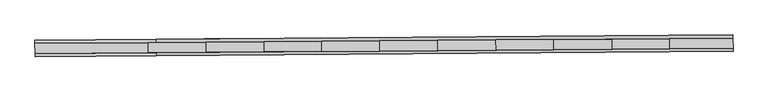
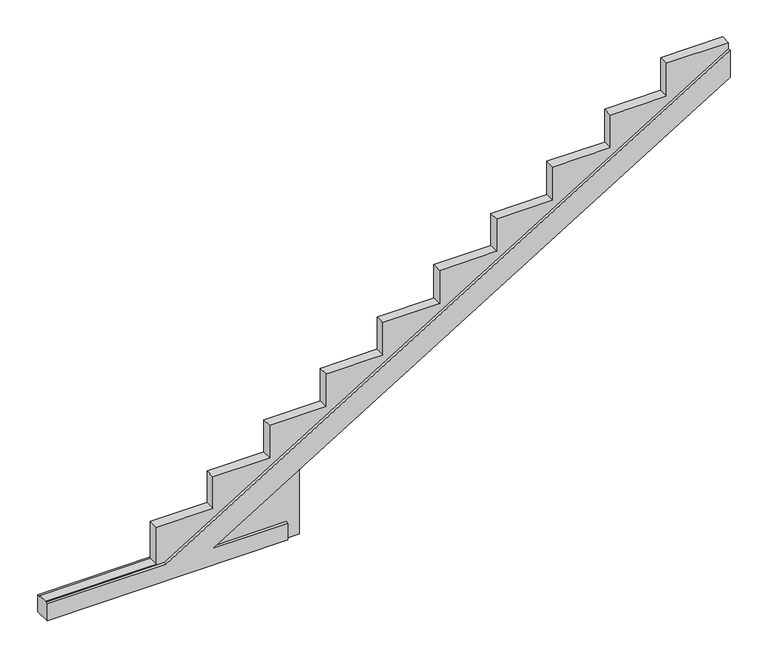
"""IFC4 building model written with IfcOpenShell, lengths in millimetres: beam geometry."""

from ifc_helpers import new_model, si_unit, origin, place, context, project, spatial, faceted_brep, source, transform, mapped, element, save


def beam_3cedc736(model_context):
    return source(origin(), model_context, "Body", "Brep", [
        faceted_brep([(116655.0575399, 88305.8171255, -259.125), (116655.0575399, 88305.8171255, -51.4737243), (115775.4618146, 88299.3228597, -51.4737243), (121845.052147, 88344.1360978, 3618.1066772), (121845.052147, 88344.1360978, 3950.5418954), (115225.6045107, 88295.2631317, -51.4737243), (113834.095413, 88284.989287, -51.4737243), (113834.095413, 88284.989287, -259.125), (116653.6558693, 88495.6620728, -259.125), (113832.6937423, 88474.8342343, -259.125), (113832.6937423, 88474.8342343, -51.4737243), (115224.20284, 88485.108079, -51.4737243), (121843.6504763, 88533.9810451, 3950.5418954), (121843.6504763, 88533.9810451, 3618.1066772), (115774.060144, 88489.167807, -51.4737243), (116653.6558693, 88495.6620728, -51.4737243), (116653.9356399, 88457.7694103, -259.125), (116809.777633, 88458.920029, -259.125), (116810.6424425, 88341.7885813, -259.125), (116654.8004494, 88340.6379626, -259.125), (113833.8383224, 88319.810124, -51.4737243), (113833.8383224, 88319.810124, -41.4737243), (113832.9735129, 88436.9415717, -41.4737243), (113832.9735129, 88436.9415717, -51.4737243), (115225.3474201, 88330.0839687, -51.4737243), (115224.4826106, 88447.2154164, -51.4737243), (121844.7950564, 88378.9569349, 3950.5418954), (121843.9302469, 88496.0883826, 3950.5418954), (121843.9302469, 88496.0883826, 4027.5116193), (121844.7950564, 88378.9569349, 4027.5116193), (115775.2047241, 88334.1436968, -51.4737243), (116810.6424425, 88341.7885813, 574.5358992), (116809.777633, 88458.920029, 574.5358992), (115774.3399146, 88451.2751445, -51.4737243), (116654.8004494, 88340.6379626, -51.4737243), (116653.9356399, 88457.7694103, -51.4737243), (121116.7581196, 88373.5816639, 4027.5116193), (121116.7581196, 88373.5816639, 3622.5728422), (120460.0053528, 88368.7327011, 3622.5728422), (120460.0053528, 88368.7327011, 3218.8243174), (119784.9290236, 88363.748451, 3218.8243174), (119784.9290236, 88363.748451, 2808.3745723), (119124.8778741, 88358.8751354, 2808.3745723), (119124.8778741, 88358.8751354, 2412.9766577), (118456.450441, 88353.9399757, 2412.9766577), (118456.450441, 88353.9399757, 2002.5269125), (117791.3735214, 88349.0295536, 2002.5269125), (117791.3735214, 88349.0295536, 1603.804303), (117126.3226671, 88344.119324, 1603.804303), (117126.3226671, 88344.119324, 1200.0557782), (116462.8949388, 88339.2210783, 1200.0557782), (116462.8949388, 88339.2210783, 802.9825585), (115797.8180192, 88334.3106562, 802.9825585), (115797.8180192, 88334.3106562, 416.0129997), (115132.7410995, 88329.4002341, 416.0129997), (115132.7410995, 88329.4002341, -41.4737243), (115131.87629, 88446.5316818, -41.4737243), (115131.87629, 88446.5316818, 416.0129997), (115796.9532097, 88451.4421039, 416.0129997), (115796.9532097, 88451.4421039, 802.9825585), (116462.0301293, 88456.3525259, 802.9825585), (116462.0301293, 88456.3525259, 1200.0557782), (117125.4578576, 88461.2507716, 1200.0557782), (117125.4578576, 88461.2507716, 1603.804303), (117790.5087119, 88466.1610013, 1603.804303), (117790.5087119, 88466.1610013, 2002.5269125), (118455.5856315, 88471.0714233, 2002.5269125), (118455.5856315, 88471.0714233, 2412.9766577), (119124.0130646, 88476.006583, 2412.9766577), (119124.0130646, 88476.006583, 2808.3745723), (119784.0642141, 88480.8798987, 2808.3745723), (119784.0642141, 88480.8798987, 3218.8243174), (120459.1405433, 88485.8641488, 3218.8243174), (120459.1405433, 88485.8641488, 3622.5728422), (121115.8933101, 88490.7131116, 3622.5728422), (121115.8933101, 88490.7131116, 4027.5116193)], [[[0, 1, 2, 3, 4, 5, 6, 7]], [[8, 9, 10, 11, 12, 13, 14, 15]], [[0, 7, 9, 8, 16, 17, 18, 19]], [[9, 7, 6, 20, 21, 22, 23, 10]], [[6, 5, 24, 20]], [[11, 10, 23, 25]], [[5, 4, 26, 24]], [[12, 11, 25, 27]], [[4, 3, 13, 12, 27, 28, 29, 26]], [[3, 2, 30, 31, 32, 33, 14, 13]], [[2, 1, 34, 30]], [[15, 14, 33, 35]], [[1, 0, 19, 34]], [[8, 15, 35, 16]], [[19, 18, 31, 30, 34]], [[29, 36, 37, 38, 39, 40, 41, 42, 43, 44, 45, 46, 47, 48, 49, 50, 51, 52, 53, 54, 55, 21, 20, 24, 26]], [[17, 16, 35, 33, 32]], [[22, 56, 57, 58, 59, 60, 61, 62, 63, 64, 65, 66, 67, 68, 69, 70, 71, 72, 73, 74, 75, 28, 27, 25, 23]], [[18, 17, 32, 31]], [[21, 55, 56, 22]], [[55, 54, 57, 56]], [[54, 53, 58, 57]], [[53, 52, 59, 58]], [[52, 51, 60, 59]], [[51, 50, 61, 60]], [[50, 49, 62, 61]], [[49, 48, 63, 62]], [[48, 47, 64, 63]], [[47, 46, 65, 64]], [[46, 45, 66, 65]], [[45, 44, 67, 66]], [[44, 43, 68, 67]], [[43, 42, 69, 68]], [[42, 41, 70, 69]], [[41, 40, 71, 70]], [[40, 39, 72, 71]], [[39, 38, 73, 72]], [[38, 37, 74, 73]], [[37, 36, 75, 74]], [[36, 29, 28, 75]]]),
    ])


if __name__ == "__main__":
    model = new_model("IFC4")
    model_context = context("Model", 3, world=origin())
    ifc_project = project(units=[si_unit("LENGTHUNIT", "METRE", prefix="MILLI")], contexts=[model_context])
    site = spatial("IfcSite", under=ifc_project)
    building = spatial("IfcBuilding", under=site)
    placement = place(None, origin())
    beam_shape = beam_3cedc736(model_context)
    element("IfcBeam", 1, at=placement, inside=building, context=model_context, shape_type="MappedRepresentation", body=[
        mapped(beam_shape, transform((0.0, 0.0, 0.0), x_axis=(1.0, 0.0, 0.0), y_axis=(0.0, 1.0, 0.0), z_axis=(0.0, 0.0, 1.0))),
    ])
    save(model, "model.ifc")
